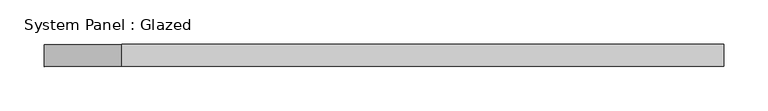
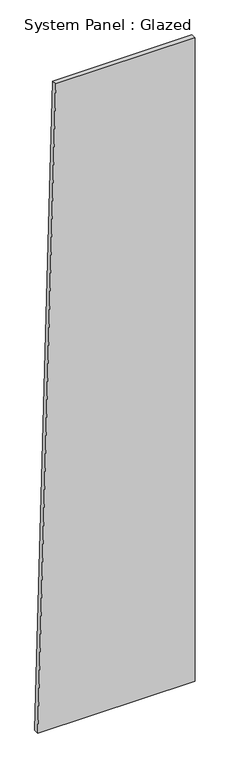
"""IFC4 building model written with IfcOpenShell, lengths in millimetres: plate geometry, System Panel : Glazed."""

from ifc_helpers import new_model, si_unit, frame, origin, place, context, project, spatial, polyline, outline, extrude, source, transform, mapped, element, save


def system_panel_glazed_72e6209c(model_context):
    return source(origin(), model_context, "Body", "SweptSolid", [
        extrude(outline(polyline([(0.0, -386.2992302), (0.0, 386.2992302), (3340.72648, 386.2992302), (3340.72648, -297.719909), (0.0, -386.2992302)])), frame((0.0, -49.5, 0.0), z_axis=(0.0, 1.0, 0.0), x_axis=(0.0, 0.0, 1.0)), (0.0, 0.0, 1.0), 25.0),
    ])


if __name__ == "__main__":
    model = new_model("IFC4")
    model_context = context("Model", 3, world=origin())
    ifc_project = project(units=[si_unit("LENGTHUNIT", "METRE", prefix="MILLI")], contexts=[model_context])
    site = spatial("IfcSite", under=ifc_project)
    building = spatial("IfcBuilding", under=site)
    placement = place(None, origin())
    system_panel_glazed_shape = system_panel_glazed_72e6209c(model_context)
    element("IfcPlate", 1, ObjectType="System Panel : Glazed", at=placement, inside=building, context=model_context, shape_type="MappedRepresentation", body=[
        mapped(system_panel_glazed_shape, transform((0.0, 0.0, 0.0), x_axis=(1.0, 0.0, 0.0), y_axis=(0.0, 1.0, 0.0), z_axis=(0.0, 0.0, 1.0))),
    ])
    save(model, "model.ifc")
